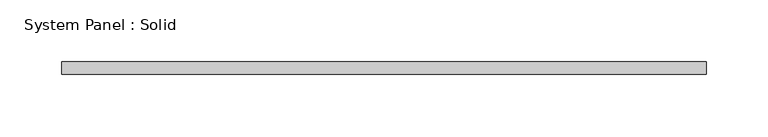
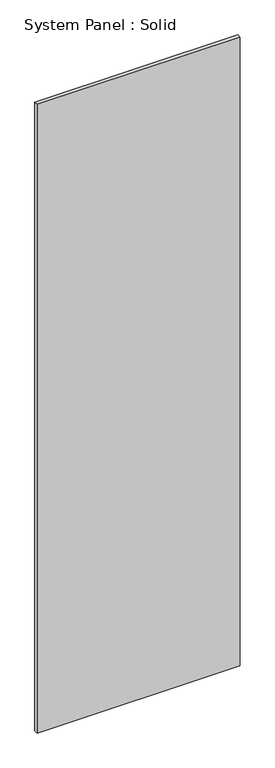
"""IFC4 building model written with IfcOpenShell, lengths in millimetres: plate geometry, System Panel : Solid."""

import ifcopenshell
import ifcopenshell.guid

model = None  # the IFC model being written
_history = None  # IfcOwnerHistory: only IFC2X3 demands one
_inside = {}  # id of a spatial element -> (the spatial element, [elements in it])
_under = {}  # id of a project, library or spatial element -> (it, [spatial elements below it])
_declared = {}  # id of a project -> (the project, [libraries it declares])
_typed = {}  # id of a type object -> (the type object, [elements of that type])
_made_of = {}  # id of a material, layer set ... -> (it, [elements and type objects made of it])


def new_model(schema):
    """Start an empty IFC model of exactly this schema.

    Asked for "IFC4X3", IfcOpenShell would pick the latest addendum, in which some entities
    have other attributes; the version numbers below select the first issue.
    IFC2X3 requires an IfcOwnerHistory on every rooted entity: one is made here for all.
    """
    global model, _history
    if schema == "IFC4X3":
        model = ifcopenshell.file(schema_version=(4, 3, 0, 0))
    else:
        model = ifcopenshell.file(schema=schema)
    _inside.clear()
    _under.clear()
    _declared.clear()
    _typed.clear()
    _made_of.clear()
    _history = None
    if model.schema == "IFC2X3":
        org = make("IfcOrganization", Name="unknown")
        user = make(
            "IfcPersonAndOrganization",
            ThePerson=make("IfcPerson", FamilyName="unknown"),
            TheOrganization=org,
        )
        app = make(
            "IfcApplication",
            ApplicationDeveloper=org,
            Version="unknown",
            ApplicationFullName="unknown",
            ApplicationIdentifier="unknown",
        )
        _history = make(
            "IfcOwnerHistory",
            OwningUser=user,
            OwningApplication=app,
            ChangeAction="ADDED",
            CreationDate=0,
        )
    return model


def make(cls, **values):
    """One entity of the class cls with the attributes given. An attribute that is None is left unset."""
    return model.create_entity(
        cls, **{name: value for name, value in values.items() if value is not None}
    )


def rooted(cls, **values):
    """An entity with a GlobalId (a new one), such as an element, a storey or a relation."""
    return make(cls, GlobalId=ifcopenshell.guid.new(), OwnerHistory=_history, **values)


def si_unit(unit_type, name, prefix=None):
    """IfcSIUnit, for example si_unit("LENGTHUNIT", "METRE", prefix="MILLI")."""
    return make("IfcSIUnit", UnitType=unit_type, Prefix=prefix, Name=name)


def assignment(units):
    """IfcUnitAssignment: the units of a project."""
    return None if units is None else make("IfcUnitAssignment", Units=units)


def point(xyz):
    """IfcCartesianPoint."""
    return None if xyz is None else make("IfcCartesianPoint", Coordinates=xyz)


def direction(xyz):
    """IfcDirection."""
    return None if xyz is None else make("IfcDirection", DirectionRatios=xyz)


def frame(location, z_axis=None, x_axis=None):
    """IfcAxis2Placement3D, a coordinate frame: its origin and axes. An axis left out is left unset."""
    return make(
        "IfcAxis2Placement3D",
        Location=point(location),
        Axis=direction(z_axis),
        RefDirection=direction(x_axis),
    )


def origin():
    """The frame at (0, 0, 0) with its axes left unset."""
    return frame((0.0, 0.0, 0.0))


def origin_with_axes():
    """The frame at (0, 0, 0) with the z axis (0, 0, 1) and the x axis (1, 0, 0) written out."""
    return frame((0.0, 0.0, 0.0), z_axis=(0.0, 0.0, 1.0), x_axis=(1.0, 0.0, 0.0))


def place(relative_to, where):
    """IfcLocalPlacement: puts the frame where relative to a parent placement (None: the world)."""
    return make(
        "IfcLocalPlacement", PlacementRelTo=relative_to, RelativePlacement=where
    )


def context(
    kind, dimensions, precision=None, world=None, true_north=None, identifier=None
):
    """IfcGeometricRepresentationContext, for example the 3D "Model" context."""
    return make(
        "IfcGeometricRepresentationContext",
        ContextIdentifier=identifier,
        ContextType=kind,
        CoordinateSpaceDimension=dimensions,
        Precision=precision,
        WorldCoordinateSystem=world,
        TrueNorth=true_north,
    )


def project(units=None, contexts=None):
    """IfcProject with its units and contexts."""
    return rooted(
        "IfcProject",
        Name="project",
        RepresentationContexts=contexts,
        UnitsInContext=assignment(units),
    )


def spatial(cls, under=None, at=None, **own):
    """A site, building, storey or space (cls), placed at a placement, below another one or the project."""
    s = rooted(cls, ObjectPlacement=at, **own)
    if under is not None:
        _under.setdefault(under.id(), (under, []))[1].append(s)
    return s


def polyline(points):
    """IfcPolyline through the points."""
    return make("IfcPolyline", Points=[point(p) for p in points])


def outline(outer, holes=None, kind="AREA"):
    """IfcArbitraryClosedProfileDef: a profile drawn as a closed curve; with holes, ...WithVoids."""
    if holes is None:
        return make("IfcArbitraryClosedProfileDef", ProfileType=kind, OuterCurve=outer)
    return make(
        "IfcArbitraryProfileDefWithVoids",
        ProfileType=kind,
        OuterCurve=outer,
        InnerCurves=holes,
    )


def extrude(swept, where, along, depth):
    """IfcExtrudedAreaSolid: the profile swept, set in the frame where, extruded along a direction by depth."""
    return make(
        "IfcExtrudedAreaSolid",
        SweptArea=swept,
        Position=where,
        ExtrudedDirection=direction(along),
        Depth=depth,
    )


def shape(context_of_items, identifier, shape_type, items):
    """IfcShapeRepresentation: the items that make up one representation, for example the "Body"."""
    return make(
        "IfcShapeRepresentation",
        ContextOfItems=context_of_items,
        RepresentationIdentifier=identifier,
        RepresentationType=shape_type,
        Items=items,
    )


def source(mapping_origin, context_of_items, identifier, shape_type, items):
    """IfcRepresentationMap: a shape defined once, which mapped items show again and again."""
    return make(
        "IfcRepresentationMap",
        MappingOrigin=mapping_origin,
        MappedRepresentation=shape(context_of_items, identifier, shape_type, items),
    )


def transform(
    local_origin,
    x_axis=None,
    y_axis=None,
    z_axis=None,
    scale=None,
    scale2=None,
    scale3=None,
    uniform=True,
):
    """IfcCartesianTransformationOperator3D, or its non-uniform kind. x_axis, y_axis, z_axis: its Axis1, 2, 3."""
    if uniform:
        return make(
            "IfcCartesianTransformationOperator3D",
            Axis1=direction(x_axis),
            Axis2=direction(y_axis),
            LocalOrigin=point(local_origin),
            Scale=scale,
            Axis3=direction(z_axis),
        )
    return make(
        "IfcCartesianTransformationOperator3DnonUniform",
        Axis1=direction(x_axis),
        Axis2=direction(y_axis),
        LocalOrigin=point(local_origin),
        Scale=scale,
        Axis3=direction(z_axis),
        Scale2=scale2,
        Scale3=scale3,
    )


def mapped(mapping_source, mapping_target):
    """IfcMappedItem: shows the shape of a source again, moved by a transform."""
    return make(
        "IfcMappedItem", MappingSource=mapping_source, MappingTarget=mapping_target
    )


def made_of(thing, what):
    """Note that an element or type object is made of a material, layer set ...; save() writes the relation."""
    if what is not None:
        _made_of.setdefault(what.id(), (what, []))[1].append(thing)
    return thing


def element(
    cls,
    number,
    at=None,
    inside=None,
    cuts=None,
    type_object=None,
    material=None,
    context=None,
    identifier="Body",
    shape_type=None,
    held_by="IfcProductDefinitionShape",
    body=None,
    shapes=None,
    **own,
):
    """One element of the class cls, such as IfcWall. Its Tag is "e" and its number.

    at: its placement. inside: the storey or other place that contains it. cuts: it is an
    opening in that element (IfcRelVoidsElement). A single representation is given by context,
    identifier, shape_type and body (its items); several are given by shapes. held_by: the class
    of the entity that holds the representations. save() writes the other relations.
    """
    e = rooted(cls, Tag="e%d" % number, ObjectPlacement=at, **own)
    if body is not None:
        shapes = [shape(context, identifier, shape_type, body)]
    if shapes is not None:
        e.Representation = make(held_by, Representations=shapes)
    if inside is not None:
        _inside.setdefault(inside.id(), (inside, []))[1].append(e)
    if cuts is not None:
        rooted(
            "IfcRelVoidsElement", RelatingBuildingElement=cuts, RelatedOpeningElement=e
        )
    if type_object is not None:
        _typed.setdefault(type_object.id(), (type_object, []))[1].append(e)
    return made_of(e, material)


def aggregate(whole, parts):
    """IfcRelAggregates: a whole, such as a stair, and the parts it consists of."""
    return rooted("IfcRelAggregates", RelatingObject=whole, RelatedObjects=parts)


def save(model, path):
    """Write the relations noted so far, then the file.

    IfcRelAggregates (storeys below a building ...), IfcRelContainedInSpatialStructure (elements
    in a storey), IfcRelDefinesByType, IfcRelAssociatesMaterial and IfcRelDeclares: one each for
    every whole, place, type object, material and project.
    """
    for whole, parts in _under.values():
        aggregate(whole, parts)
    for where, things in _inside.values():
        rooted(
            "IfcRelContainedInSpatialStructure",
            RelatedElements=things,
            RelatingStructure=where,
        )
    for kind, things in _typed.values():
        rooted("IfcRelDefinesByType", RelatedObjects=things, RelatingType=kind)
    for what, things in _made_of.values():
        rooted("IfcRelAssociatesMaterial", RelatedObjects=things, RelatingMaterial=what)
    for by, libraries in _declared.values():
        rooted("IfcRelDeclares", RelatingContext=by, RelatedDefinitions=libraries)
    model.write(path)


def system_panel_solid_9a203f43(model_context):
    return source(origin(), model_context, "Body", "SweptSolid", [
        extrude(outline(polyline([(260.0, 95.0), (-260.0, 95.0), (-260.0, 105.0), (260.0, 105.0), (260.0, 95.0)])), origin_with_axes(), (0.0, 0.0, 1.0), 1700.0),
    ])


if __name__ == "__main__":
    model = new_model("IFC4")
    model_context = context("Model", 3, world=origin())
    ifc_project = project(units=[si_unit("LENGTHUNIT", "METRE", prefix="MILLI")], contexts=[model_context])
    site = spatial("IfcSite", under=ifc_project)
    building = spatial("IfcBuilding", under=site)
    placement = place(None, origin())
    system_panel_solid_shape = system_panel_solid_9a203f43(model_context)
    element("IfcPlate", 1, ObjectType="System Panel : Solid", at=placement, inside=building, context=model_context, shape_type="MappedRepresentation", body=[
        mapped(system_panel_solid_shape, transform((0.0, 0.0, 0.0), x_axis=(1.0, 0.0, 0.0), y_axis=(0.0, 1.0, 0.0), z_axis=(0.0, 0.0, 1.0))),
    ])
    save(model, "model.ifc")
